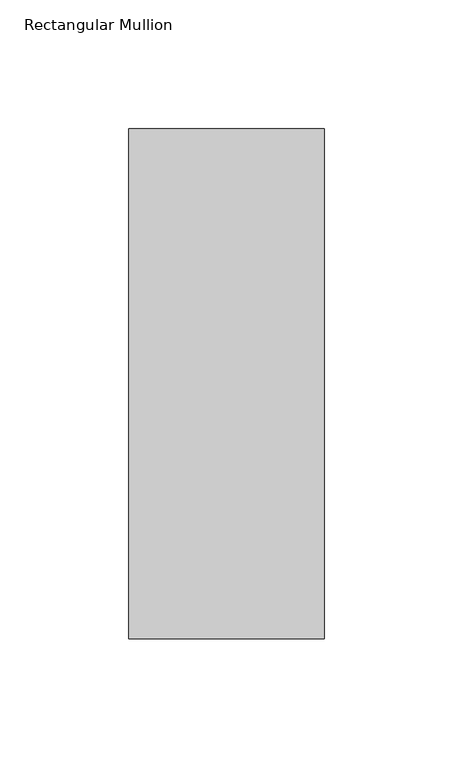
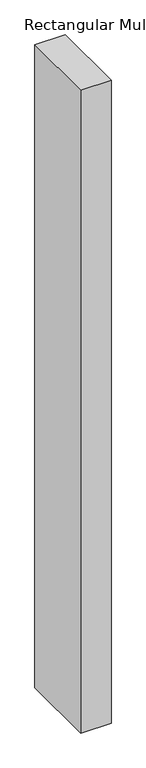
"""IFC4 building model written with IfcOpenShell, lengths in millimetres: member geometry, Rectangular Mullion."""

from ifc_helpers import new_model, si_unit, frame, origin, place, context, project, spatial, polyline, outline, extrude, source, transform, mapped, element, save


def rectangular_mullion_17dc25d9(model_context):
    return source(origin(), model_context, "Body", "SweptSolid", [
        extrude(outline(polyline([(38.1, -156.36875), (-38.1, -156.36875), (-38.1, 42.06875), (38.1, 42.06875), (38.1, -156.36875)])), frame((0.0, 0.0, -1701.8), z_axis=(0.0, 0.0, 1.0), x_axis=(1.0, 0.0, 0.0)), (0.0, 0.0, 1.0), 1701.8),
    ])


if __name__ == "__main__":
    model = new_model("IFC4")
    model_context = context("Model", 3, world=origin())
    ifc_project = project(units=[si_unit("LENGTHUNIT", "METRE", prefix="MILLI")], contexts=[model_context])
    site = spatial("IfcSite", under=ifc_project)
    building = spatial("IfcBuilding", under=site)
    placement = place(None, origin())
    rectangular_mullion_shape = rectangular_mullion_17dc25d9(model_context)
    element("IfcMember", 1, ObjectType="Rectangular Mullion", at=placement, inside=building, context=model_context, shape_type="MappedRepresentation", body=[
        mapped(rectangular_mullion_shape, transform((0.0, 0.0, 0.0), x_axis=(1.0, 0.0, 0.0), y_axis=(0.0, 1.0, 0.0), z_axis=(0.0, 0.0, 1.0))),
    ])
    save(model, "model.ifc")
